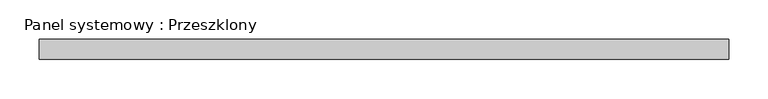
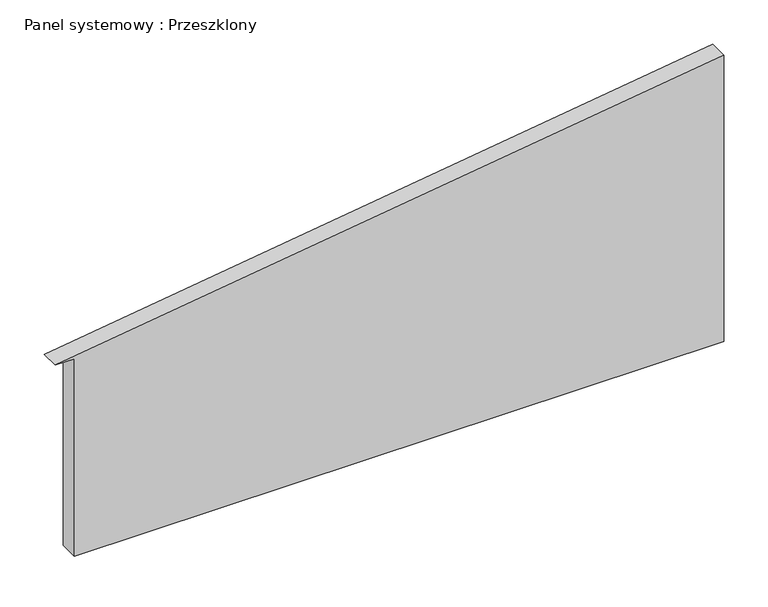
"""IFC4 building model written with IfcOpenShell, lengths in millimetres: plate geometry, Panel systemowy : Przeszklony."""

import ifcopenshell
import ifcopenshell.guid

model = None  # the IFC model being written
_history = None  # IfcOwnerHistory: only IFC2X3 demands one
_inside = {}  # id of a spatial element -> (the spatial element, [elements in it])
_under = {}  # id of a project, library or spatial element -> (it, [spatial elements below it])
_declared = {}  # id of a project -> (the project, [libraries it declares])
_typed = {}  # id of a type object -> (the type object, [elements of that type])
_made_of = {}  # id of a material, layer set ... -> (it, [elements and type objects made of it])


def new_model(schema):
    """Start an empty IFC model of exactly this schema.

    Asked for "IFC4X3", IfcOpenShell would pick the latest addendum, in which some entities
    have other attributes; the version numbers below select the first issue.
    IFC2X3 requires an IfcOwnerHistory on every rooted entity: one is made here for all.
    """
    global model, _history
    if schema == "IFC4X3":
        model = ifcopenshell.file(schema_version=(4, 3, 0, 0))
    else:
        model = ifcopenshell.file(schema=schema)
    _inside.clear()
    _under.clear()
    _declared.clear()
    _typed.clear()
    _made_of.clear()
    _history = None
    if model.schema == "IFC2X3":
        org = make("IfcOrganization", Name="unknown")
        user = make(
            "IfcPersonAndOrganization",
            ThePerson=make("IfcPerson", FamilyName="unknown"),
            TheOrganization=org,
        )
        app = make(
            "IfcApplication",
            ApplicationDeveloper=org,
            Version="unknown",
            ApplicationFullName="unknown",
            ApplicationIdentifier="unknown",
        )
        _history = make(
            "IfcOwnerHistory",
            OwningUser=user,
            OwningApplication=app,
            ChangeAction="ADDED",
            CreationDate=0,
        )
    return model


def make(cls, **values):
    """One entity of the class cls with the attributes given. An attribute that is None is left unset."""
    return model.create_entity(
        cls, **{name: value for name, value in values.items() if value is not None}
    )


def rooted(cls, **values):
    """An entity with a GlobalId (a new one), such as an element, a storey or a relation."""
    return make(cls, GlobalId=ifcopenshell.guid.new(), OwnerHistory=_history, **values)


def si_unit(unit_type, name, prefix=None):
    """IfcSIUnit, for example si_unit("LENGTHUNIT", "METRE", prefix="MILLI")."""
    return make("IfcSIUnit", UnitType=unit_type, Prefix=prefix, Name=name)


def assignment(units):
    """IfcUnitAssignment: the units of a project."""
    return None if units is None else make("IfcUnitAssignment", Units=units)


def point(xyz):
    """IfcCartesianPoint."""
    return None if xyz is None else make("IfcCartesianPoint", Coordinates=xyz)


def direction(xyz):
    """IfcDirection."""
    return None if xyz is None else make("IfcDirection", DirectionRatios=xyz)


def frame(location, z_axis=None, x_axis=None):
    """IfcAxis2Placement3D, a coordinate frame: its origin and axes. An axis left out is left unset."""
    return make(
        "IfcAxis2Placement3D",
        Location=point(location),
        Axis=direction(z_axis),
        RefDirection=direction(x_axis),
    )


def origin():
    """The frame at (0, 0, 0) with its axes left unset."""
    return frame((0.0, 0.0, 0.0))


def place(relative_to, where):
    """IfcLocalPlacement: puts the frame where relative to a parent placement (None: the world)."""
    return make(
        "IfcLocalPlacement", PlacementRelTo=relative_to, RelativePlacement=where
    )


def context(
    kind, dimensions, precision=None, world=None, true_north=None, identifier=None
):
    """IfcGeometricRepresentationContext, for example the 3D "Model" context."""
    return make(
        "IfcGeometricRepresentationContext",
        ContextIdentifier=identifier,
        ContextType=kind,
        CoordinateSpaceDimension=dimensions,
        Precision=precision,
        WorldCoordinateSystem=world,
        TrueNorth=true_north,
    )


def project(units=None, contexts=None):
    """IfcProject with its units and contexts."""
    return rooted(
        "IfcProject",
        Name="project",
        RepresentationContexts=contexts,
        UnitsInContext=assignment(units),
    )


def spatial(cls, under=None, at=None, **own):
    """A site, building, storey or space (cls), placed at a placement, below another one or the project."""
    s = rooted(cls, ObjectPlacement=at, **own)
    if under is not None:
        _under.setdefault(under.id(), (under, []))[1].append(s)
    return s


def polyline(points):
    """IfcPolyline through the points."""
    return make("IfcPolyline", Points=[point(p) for p in points])


def outline(outer, holes=None, kind="AREA"):
    """IfcArbitraryClosedProfileDef: a profile drawn as a closed curve; with holes, ...WithVoids."""
    if holes is None:
        return make("IfcArbitraryClosedProfileDef", ProfileType=kind, OuterCurve=outer)
    return make(
        "IfcArbitraryProfileDefWithVoids",
        ProfileType=kind,
        OuterCurve=outer,
        InnerCurves=holes,
    )


def extrude(swept, where, along, depth):
    """IfcExtrudedAreaSolid: the profile swept, set in the frame where, extruded along a direction by depth."""
    return make(
        "IfcExtrudedAreaSolid",
        SweptArea=swept,
        Position=where,
        ExtrudedDirection=direction(along),
        Depth=depth,
    )


def shape(context_of_items, identifier, shape_type, items):
    """IfcShapeRepresentation: the items that make up one representation, for example the "Body"."""
    return make(
        "IfcShapeRepresentation",
        ContextOfItems=context_of_items,
        RepresentationIdentifier=identifier,
        RepresentationType=shape_type,
        Items=items,
    )


def source(mapping_origin, context_of_items, identifier, shape_type, items):
    """IfcRepresentationMap: a shape defined once, which mapped items show again and again."""
    return make(
        "IfcRepresentationMap",
        MappingOrigin=mapping_origin,
        MappedRepresentation=shape(context_of_items, identifier, shape_type, items),
    )


def transform(
    local_origin,
    x_axis=None,
    y_axis=None,
    z_axis=None,
    scale=None,
    scale2=None,
    scale3=None,
    uniform=True,
):
    """IfcCartesianTransformationOperator3D, or its non-uniform kind. x_axis, y_axis, z_axis: its Axis1, 2, 3."""
    if uniform:
        return make(
            "IfcCartesianTransformationOperator3D",
            Axis1=direction(x_axis),
            Axis2=direction(y_axis),
            LocalOrigin=point(local_origin),
            Scale=scale,
            Axis3=direction(z_axis),
        )
    return make(
        "IfcCartesianTransformationOperator3DnonUniform",
        Axis1=direction(x_axis),
        Axis2=direction(y_axis),
        LocalOrigin=point(local_origin),
        Scale=scale,
        Axis3=direction(z_axis),
        Scale2=scale2,
        Scale3=scale3,
    )


def mapped(mapping_source, mapping_target):
    """IfcMappedItem: shows the shape of a source again, moved by a transform."""
    return make(
        "IfcMappedItem", MappingSource=mapping_source, MappingTarget=mapping_target
    )


def made_of(thing, what):
    """Note that an element or type object is made of a material, layer set ...; save() writes the relation."""
    if what is not None:
        _made_of.setdefault(what.id(), (what, []))[1].append(thing)
    return thing


def element(
    cls,
    number,
    at=None,
    inside=None,
    cuts=None,
    type_object=None,
    material=None,
    context=None,
    identifier="Body",
    shape_type=None,
    held_by="IfcProductDefinitionShape",
    body=None,
    shapes=None,
    **own,
):
    """One element of the class cls, such as IfcWall. Its Tag is "e" and its number.

    at: its placement. inside: the storey or other place that contains it. cuts: it is an
    opening in that element (IfcRelVoidsElement). A single representation is given by context,
    identifier, shape_type and body (its items); several are given by shapes. held_by: the class
    of the entity that holds the representations. save() writes the other relations.
    """
    e = rooted(cls, Tag="e%d" % number, ObjectPlacement=at, **own)
    if body is not None:
        shapes = [shape(context, identifier, shape_type, body)]
    if shapes is not None:
        e.Representation = make(held_by, Representations=shapes)
    if inside is not None:
        _inside.setdefault(inside.id(), (inside, []))[1].append(e)
    if cuts is not None:
        rooted(
            "IfcRelVoidsElement", RelatingBuildingElement=cuts, RelatedOpeningElement=e
        )
    if type_object is not None:
        _typed.setdefault(type_object.id(), (type_object, []))[1].append(e)
    return made_of(e, material)


def aggregate(whole, parts):
    """IfcRelAggregates: a whole, such as a stair, and the parts it consists of."""
    return rooted("IfcRelAggregates", RelatingObject=whole, RelatedObjects=parts)


def save(model, path):
    """Write the relations noted so far, then the file.

    IfcRelAggregates (storeys below a building ...), IfcRelContainedInSpatialStructure (elements
    in a storey), IfcRelDefinesByType, IfcRelAssociatesMaterial and IfcRelDeclares: one each for
    every whole, place, type object, material and project.
    """
    for whole, parts in _under.values():
        aggregate(whole, parts)
    for where, things in _inside.values():
        rooted(
            "IfcRelContainedInSpatialStructure",
            RelatedElements=things,
            RelatingStructure=where,
        )
    for kind, things in _typed.values():
        rooted("IfcRelDefinesByType", RelatedObjects=things, RelatingType=kind)
    for what, things in _made_of.values():
        rooted("IfcRelAssociatesMaterial", RelatedObjects=things, RelatingMaterial=what)
    for by, libraries in _declared.values():
        rooted("IfcRelDeclares", RelatingContext=by, RelatedDefinitions=libraries)
    model.write(path)


def panel_systemowy_przeszklony_3856b01c(model_context):
    return source(origin(), model_context, "Body", "SweptSolid", [
        extrude(outline(polyline([(0.0, -412.5), (0.0, 437.5), (396.4673978, 437.5), (273.4260157, -437.5), (273.4260157, -412.5), (0.0, -412.5)])), frame((0.0, 24.5, 0.0), z_axis=(0.0, 1.0, 0.0), x_axis=(0.0, 0.0, 1.0)), (0.0, 0.0, 1.0), 25.0),
    ])


if __name__ == "__main__":
    model = new_model("IFC4")
    model_context = context("Model", 3, world=origin())
    ifc_project = project(units=[si_unit("LENGTHUNIT", "METRE", prefix="MILLI")], contexts=[model_context])
    site = spatial("IfcSite", under=ifc_project)
    building = spatial("IfcBuilding", under=site)
    placement = place(None, origin())
    panel_systemowy_przeszklony_shape = panel_systemowy_przeszklony_3856b01c(model_context)
    element("IfcPlate", 1, ObjectType="Panel systemowy : Przeszklony", at=placement, inside=building, context=model_context, shape_type="MappedRepresentation", body=[
        mapped(panel_systemowy_przeszklony_shape, transform((0.0, 0.0, 0.0), x_axis=(1.0, 0.0, 0.0), y_axis=(0.0, 1.0, 0.0), z_axis=(0.0, 0.0, 1.0))),
    ])
    save(model, "model.ifc")
